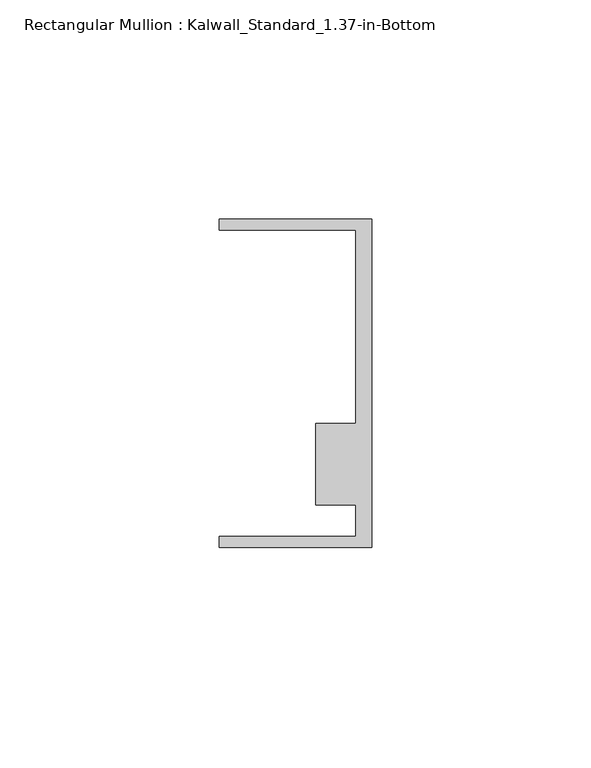
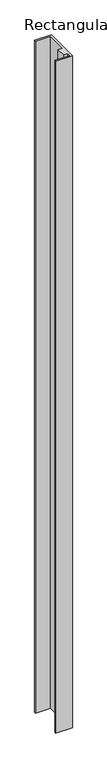
"""IFC4 building model written with IfcOpenShell, lengths in millimetres: member geometry, Rectangular Mullion : Kalwall_Standard_1.37-in-Bottom."""

import ifcopenshell
import ifcopenshell.guid

model = None  # the IFC model being written
_history = None  # IfcOwnerHistory: only IFC2X3 demands one
_inside = {}  # id of a spatial element -> (the spatial element, [elements in it])
_under = {}  # id of a project, library or spatial element -> (it, [spatial elements below it])
_declared = {}  # id of a project -> (the project, [libraries it declares])
_typed = {}  # id of a type object -> (the type object, [elements of that type])
_made_of = {}  # id of a material, layer set ... -> (it, [elements and type objects made of it])


def new_model(schema):
    """Start an empty IFC model of exactly this schema.

    Asked for "IFC4X3", IfcOpenShell would pick the latest addendum, in which some entities
    have other attributes; the version numbers below select the first issue.
    IFC2X3 requires an IfcOwnerHistory on every rooted entity: one is made here for all.
    """
    global model, _history
    if schema == "IFC4X3":
        model = ifcopenshell.file(schema_version=(4, 3, 0, 0))
    else:
        model = ifcopenshell.file(schema=schema)
    _inside.clear()
    _under.clear()
    _declared.clear()
    _typed.clear()
    _made_of.clear()
    _history = None
    if model.schema == "IFC2X3":
        org = make("IfcOrganization", Name="unknown")
        user = make(
            "IfcPersonAndOrganization",
            ThePerson=make("IfcPerson", FamilyName="unknown"),
            TheOrganization=org,
        )
        app = make(
            "IfcApplication",
            ApplicationDeveloper=org,
            Version="unknown",
            ApplicationFullName="unknown",
            ApplicationIdentifier="unknown",
        )
        _history = make(
            "IfcOwnerHistory",
            OwningUser=user,
            OwningApplication=app,
            ChangeAction="ADDED",
            CreationDate=0,
        )
    return model


def make(cls, **values):
    """One entity of the class cls with the attributes given. An attribute that is None is left unset."""
    return model.create_entity(
        cls, **{name: value for name, value in values.items() if value is not None}
    )


def rooted(cls, **values):
    """An entity with a GlobalId (a new one), such as an element, a storey or a relation."""
    return make(cls, GlobalId=ifcopenshell.guid.new(), OwnerHistory=_history, **values)


def si_unit(unit_type, name, prefix=None):
    """IfcSIUnit, for example si_unit("LENGTHUNIT", "METRE", prefix="MILLI")."""
    return make("IfcSIUnit", UnitType=unit_type, Prefix=prefix, Name=name)


def assignment(units):
    """IfcUnitAssignment: the units of a project."""
    return None if units is None else make("IfcUnitAssignment", Units=units)


def point(xyz):
    """IfcCartesianPoint."""
    return None if xyz is None else make("IfcCartesianPoint", Coordinates=xyz)


def direction(xyz):
    """IfcDirection."""
    return None if xyz is None else make("IfcDirection", DirectionRatios=xyz)


def frame(location, z_axis=None, x_axis=None):
    """IfcAxis2Placement3D, a coordinate frame: its origin and axes. An axis left out is left unset."""
    return make(
        "IfcAxis2Placement3D",
        Location=point(location),
        Axis=direction(z_axis),
        RefDirection=direction(x_axis),
    )


def origin():
    """The frame at (0, 0, 0) with its axes left unset."""
    return frame((0.0, 0.0, 0.0))


def place(relative_to, where):
    """IfcLocalPlacement: puts the frame where relative to a parent placement (None: the world)."""
    return make(
        "IfcLocalPlacement", PlacementRelTo=relative_to, RelativePlacement=where
    )


def context(
    kind, dimensions, precision=None, world=None, true_north=None, identifier=None
):
    """IfcGeometricRepresentationContext, for example the 3D "Model" context."""
    return make(
        "IfcGeometricRepresentationContext",
        ContextIdentifier=identifier,
        ContextType=kind,
        CoordinateSpaceDimension=dimensions,
        Precision=precision,
        WorldCoordinateSystem=world,
        TrueNorth=true_north,
    )


def project(units=None, contexts=None):
    """IfcProject with its units and contexts."""
    return rooted(
        "IfcProject",
        Name="project",
        RepresentationContexts=contexts,
        UnitsInContext=assignment(units),
    )


def spatial(cls, under=None, at=None, **own):
    """A site, building, storey or space (cls), placed at a placement, below another one or the project."""
    s = rooted(cls, ObjectPlacement=at, **own)
    if under is not None:
        _under.setdefault(under.id(), (under, []))[1].append(s)
    return s


def polyline(points):
    """IfcPolyline through the points."""
    return make("IfcPolyline", Points=[point(p) for p in points])


def outline(outer, holes=None, kind="AREA"):
    """IfcArbitraryClosedProfileDef: a profile drawn as a closed curve; with holes, ...WithVoids."""
    if holes is None:
        return make("IfcArbitraryClosedProfileDef", ProfileType=kind, OuterCurve=outer)
    return make(
        "IfcArbitraryProfileDefWithVoids",
        ProfileType=kind,
        OuterCurve=outer,
        InnerCurves=holes,
    )


def extrude(swept, where, along, depth):
    """IfcExtrudedAreaSolid: the profile swept, set in the frame where, extruded along a direction by depth."""
    return make(
        "IfcExtrudedAreaSolid",
        SweptArea=swept,
        Position=where,
        ExtrudedDirection=direction(along),
        Depth=depth,
    )


def shape(context_of_items, identifier, shape_type, items):
    """IfcShapeRepresentation: the items that make up one representation, for example the "Body"."""
    return make(
        "IfcShapeRepresentation",
        ContextOfItems=context_of_items,
        RepresentationIdentifier=identifier,
        RepresentationType=shape_type,
        Items=items,
    )


def source(mapping_origin, context_of_items, identifier, shape_type, items):
    """IfcRepresentationMap: a shape defined once, which mapped items show again and again."""
    return make(
        "IfcRepresentationMap",
        MappingOrigin=mapping_origin,
        MappedRepresentation=shape(context_of_items, identifier, shape_type, items),
    )


def transform(
    local_origin,
    x_axis=None,
    y_axis=None,
    z_axis=None,
    scale=None,
    scale2=None,
    scale3=None,
    uniform=True,
):
    """IfcCartesianTransformationOperator3D, or its non-uniform kind. x_axis, y_axis, z_axis: its Axis1, 2, 3."""
    if uniform:
        return make(
            "IfcCartesianTransformationOperator3D",
            Axis1=direction(x_axis),
            Axis2=direction(y_axis),
            LocalOrigin=point(local_origin),
            Scale=scale,
            Axis3=direction(z_axis),
        )
    return make(
        "IfcCartesianTransformationOperator3DnonUniform",
        Axis1=direction(x_axis),
        Axis2=direction(y_axis),
        LocalOrigin=point(local_origin),
        Scale=scale,
        Axis3=direction(z_axis),
        Scale2=scale2,
        Scale3=scale3,
    )


def mapped(mapping_source, mapping_target):
    """IfcMappedItem: shows the shape of a source again, moved by a transform."""
    return make(
        "IfcMappedItem", MappingSource=mapping_source, MappingTarget=mapping_target
    )


def made_of(thing, what):
    """Note that an element or type object is made of a material, layer set ...; save() writes the relation."""
    if what is not None:
        _made_of.setdefault(what.id(), (what, []))[1].append(thing)
    return thing


def element(
    cls,
    number,
    at=None,
    inside=None,
    cuts=None,
    type_object=None,
    material=None,
    context=None,
    identifier="Body",
    shape_type=None,
    held_by="IfcProductDefinitionShape",
    body=None,
    shapes=None,
    **own,
):
    """One element of the class cls, such as IfcWall. Its Tag is "e" and its number.

    at: its placement. inside: the storey or other place that contains it. cuts: it is an
    opening in that element (IfcRelVoidsElement). A single representation is given by context,
    identifier, shape_type and body (its items); several are given by shapes. held_by: the class
    of the entity that holds the representations. save() writes the other relations.
    """
    e = rooted(cls, Tag="e%d" % number, ObjectPlacement=at, **own)
    if body is not None:
        shapes = [shape(context, identifier, shape_type, body)]
    if shapes is not None:
        e.Representation = make(held_by, Representations=shapes)
    if inside is not None:
        _inside.setdefault(inside.id(), (inside, []))[1].append(e)
    if cuts is not None:
        rooted(
            "IfcRelVoidsElement", RelatingBuildingElement=cuts, RelatedOpeningElement=e
        )
    if type_object is not None:
        _typed.setdefault(type_object.id(), (type_object, []))[1].append(e)
    return made_of(e, material)


def aggregate(whole, parts):
    """IfcRelAggregates: a whole, such as a stair, and the parts it consists of."""
    return rooted("IfcRelAggregates", RelatingObject=whole, RelatedObjects=parts)


def save(model, path):
    """Write the relations noted so far, then the file.

    IfcRelAggregates (storeys below a building ...), IfcRelContainedInSpatialStructure (elements
    in a storey), IfcRelDefinesByType, IfcRelAssociatesMaterial and IfcRelDeclares: one each for
    every whole, place, type object, material and project.
    """
    for whole, parts in _under.values():
        aggregate(whole, parts)
    for where, things in _inside.values():
        rooted(
            "IfcRelContainedInSpatialStructure",
            RelatedElements=things,
            RelatingStructure=where,
        )
    for kind, things in _typed.values():
        rooted("IfcRelDefinesByType", RelatedObjects=things, RelatingType=kind)
    for what, things in _made_of.values():
        rooted("IfcRelAssociatesMaterial", RelatedObjects=things, RelatingMaterial=what)
    for by, libraries in _declared.values():
        rooted("IfcRelDeclares", RelatingContext=by, RelatedDefinitions=libraries)
    model.write(path)


def rectangular_mullion_kalwall_standard_1_37_in_bottom_84a37b3a(model_context):
    return source(origin(), model_context, "Body", "SweptSolid", [
        extrude(outline(polyline([(0.0, -37.5776386), (-34.925, -37.5776386), (-34.925, -35.0376386), (-3.7084, -35.0376386), (-3.7084, -27.8888568), (-12.8272539, -27.8888568), (-12.8272539, -9.1879886), (-3.7084, -9.1879886), (-3.7084, 34.9623614), (-34.925, 34.9623614), (-34.925, 37.5023614), (0.0, 37.5023614), (0.0, -37.5776386)])), frame((0.0, 0.0, -1477.7709997), z_axis=(0.0, 0.0, 1.0), x_axis=(1.0, 0.0, 0.0)), (0.0, 0.0, 1.0), 1477.7709997),
    ])


if __name__ == "__main__":
    model = new_model("IFC4")
    model_context = context("Model", 3, world=origin())
    ifc_project = project(units=[si_unit("LENGTHUNIT", "METRE", prefix="MILLI")], contexts=[model_context])
    site = spatial("IfcSite", under=ifc_project)
    building = spatial("IfcBuilding", under=site)
    placement = place(None, origin())
    rectangular_mullion_kalwall_standard_1_37_in_bottom_shape = rectangular_mullion_kalwall_standard_1_37_in_bottom_84a37b3a(model_context)
    element("IfcMember", 1, ObjectType="Rectangular Mullion : Kalwall_Standard_1.37-in-Bottom", at=placement, inside=building, context=model_context, shape_type="MappedRepresentation", body=[
        mapped(rectangular_mullion_kalwall_standard_1_37_in_bottom_shape, transform((0.0, 0.0, 0.0), x_axis=(1.0, 0.0, 0.0), y_axis=(0.0, 1.0, 0.0), z_axis=(0.0, 0.0, 1.0))),
    ])
    save(model, "model.ifc")
